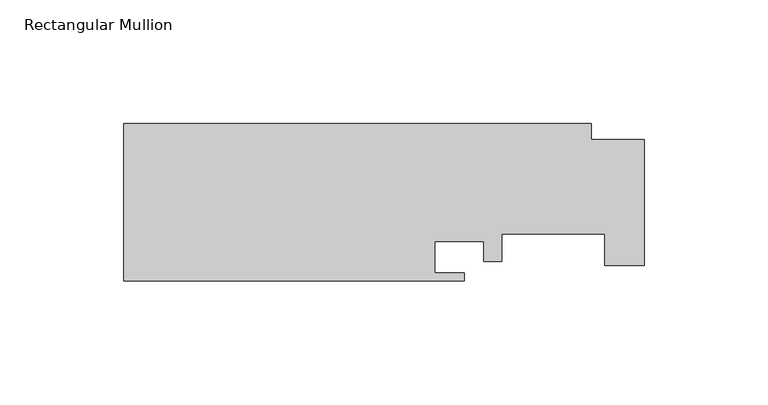
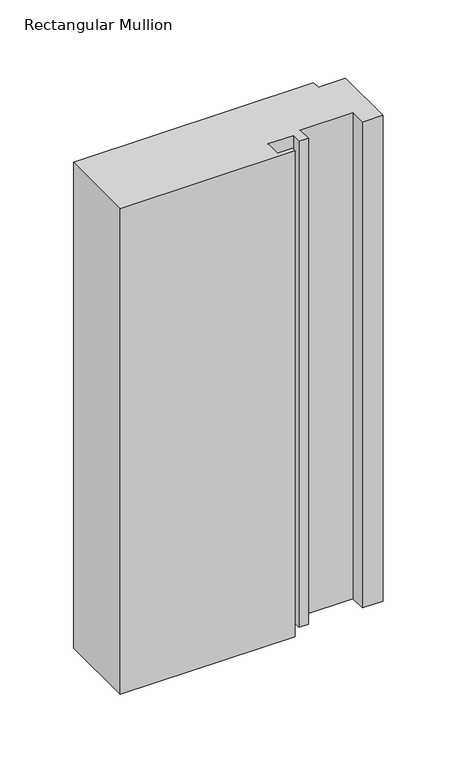
"""IFC4 building model written with IfcOpenShell, lengths in millimetres: member geometry, Rectangular Mullion."""

from ifc_helpers import new_model, si_unit, frame, origin, place, context, project, spatial, polyline, outline, extrude, source, transform, mapped, element, save


def rectangular_mullion_5a0bcd13(model_context):
    return source(origin(), model_context, "Body", "SweptSolid", [
        extrude(outline(polyline([(-189.3014375, -19.05), (-189.3014375, 44.45), (-0.6556375, 44.45), (-0.6556375, 38.1), (20.6295625, 38.1), (20.6295625, -12.7), (4.7545625, -12.7), (4.7545625, 0.0), (-36.9014375, 0.0), (-36.9014375, -11.1252), (-44.0642375, -11.1252), (-44.0642375, -3.175), (-63.8762375, -3.175), (-63.8762375, -15.875), (-51.9636375, -15.875), (-51.9636375, -19.05), (-189.3014375, -19.05)])), frame((0.0, 0.0, -403.2885812), z_axis=(0.0, 0.0, 1.0), x_axis=(1.0, 0.0, 0.0)), (0.0, 0.0, 1.0), 403.2885812),
    ])


if __name__ == "__main__":
    model = new_model("IFC4")
    model_context = context("Model", 3, world=origin())
    ifc_project = project(units=[si_unit("LENGTHUNIT", "METRE", prefix="MILLI")], contexts=[model_context])
    site = spatial("IfcSite", under=ifc_project)
    building = spatial("IfcBuilding", under=site)
    placement = place(None, origin())
    rectangular_mullion_shape = rectangular_mullion_5a0bcd13(model_context)
    element("IfcMember", 1, ObjectType="Rectangular Mullion", at=placement, inside=building, context=model_context, shape_type="MappedRepresentation", body=[
        mapped(rectangular_mullion_shape, transform((0.0, 0.0, 0.0), x_axis=(1.0, 0.0, 0.0), y_axis=(0.0, 1.0, 0.0), z_axis=(0.0, 0.0, 1.0))),
    ])
    save(model, "model.ifc")
